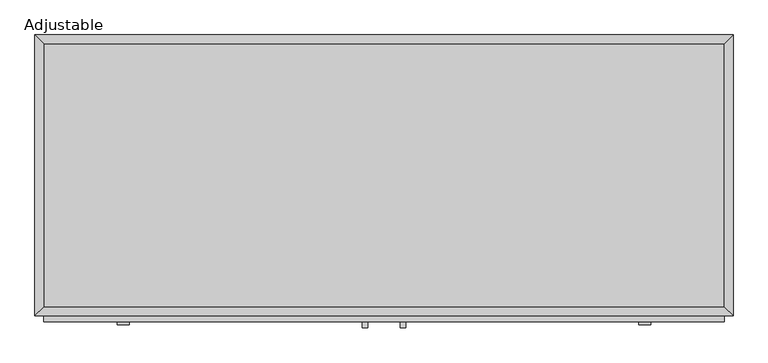
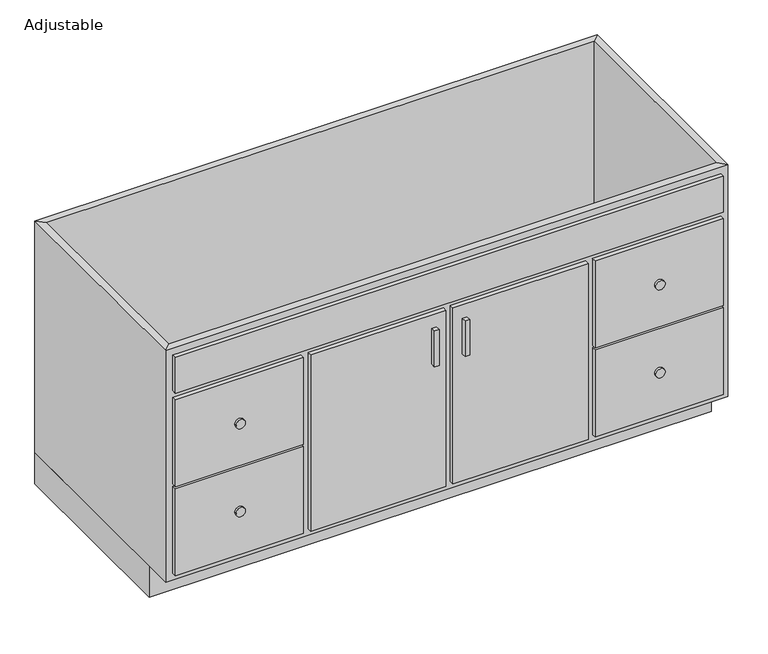
"""IFC4 building model written with IfcOpenShell, lengths in millimetres: furniture geometry, Adjustable."""

from ifc_helpers import new_model, si_unit, point, frame, frame_2d, origin, origin_with_axes, place, context, project, spatial, polyline, circle_curve, trimmed, segment, composite_curve, outline, extrude, faceted_brep, source, transform, mapped, element, save


def adjustable_4657e76a(model_context):
    return source(origin(), model_context, "Body", "SolidModel", [
        extrude(outline(polyline([(55.91996, -635.0), (43.21996, -635.0), (43.21996, -622.3), (55.91996, -622.3), (55.91996, -635.0)])), frame((0.0, 0.0, 469.9), z_axis=(0.0, 0.0, 1.0), x_axis=(1.0, 0.0, 0.0)), (0.0, 0.0, 1.0), 101.6),
        extrude(outline(polyline([(138.46996, -635.0), (125.76996, -635.0), (125.76996, -622.3), (138.46996, -622.3), (138.46996, -635.0)])), frame((0.0, 0.0, 469.9), z_axis=(0.0, 0.0, 1.0), x_axis=(1.0, 0.0, 0.0)), (0.0, 0.0, 1.0), 101.6),
        extrude(outline(composite_curve([segment(trimmed(circle_curve(frame_2d((484.1875, -474.6355362)), 12.7), [point((484.1875, -487.3355362))], [point((484.1875, -461.9355362))], False, "CARTESIAN"), True, "CONTINUOUS"), segment(trimmed(circle_curve(frame_2d((484.1875, -474.6355362)), 12.7), [point((484.1875, -461.9355362))], [point((484.1875, -487.3355362))], False, "CARTESIAN"), True, "CONTINUOUS")], self_intersect=False)), frame((0.0, -628.65, 0.0), z_axis=(0.0, 1.0, 0.0), x_axis=(0.0, 0.0, 1.0)), (0.0, 0.0, 1.0), 6.35),
        extrude(outline(composite_curve([segment(trimmed(circle_curve(frame_2d((233.3625, -474.6355362)), 12.7), [point((233.3625, -487.3355362))], [point((233.3625, -461.9355362))], False, "CARTESIAN"), True, "CONTINUOUS"), segment(trimmed(circle_curve(frame_2d((233.3625, -474.6355362)), 12.7), [point((233.3625, -461.9355362))], [point((233.3625, -487.3355362))], False, "CARTESIAN"), True, "CONTINUOUS")], self_intersect=False)), frame((0.0, -628.65, 0.0), z_axis=(0.0, 1.0, 0.0), x_axis=(0.0, 0.0, 1.0)), (0.0, 0.0, 1.0), 6.35),
        extrude(outline(composite_curve([segment(trimmed(circle_curve(frame_2d((233.3625, 656.3254562)), 12.7), [point((233.3625, 643.6254562))], [point((233.3625, 669.0254562))], False, "CARTESIAN"), True, "CONTINUOUS"), segment(trimmed(circle_curve(frame_2d((233.3625, 656.3254562)), 12.7), [point((233.3625, 669.0254562))], [point((233.3625, 643.6254562))], False, "CARTESIAN"), True, "CONTINUOUS")], self_intersect=False)), frame((0.0, -628.65, 0.0), z_axis=(0.0, 1.0, 0.0), x_axis=(0.0, 0.0, 1.0)), (0.0, 0.0, 1.0), 6.35),
        extrude(outline(composite_curve([segment(trimmed(circle_curve(frame_2d((484.1875, 656.3254562)), 12.7), [point((484.1875, 643.6254562))], [point((484.1875, 669.0254562))], False, "CARTESIAN"), True, "CONTINUOUS"), segment(trimmed(circle_curve(frame_2d((484.1875, 656.3254562)), 12.7), [point((484.1875, 669.0254562))], [point((484.1875, 643.6254562))], False, "CARTESIAN"), True, "CONTINUOUS")], self_intersect=False)), frame((0.0, -628.65, 0.0), z_axis=(0.0, 1.0, 0.0), x_axis=(0.0, 0.0, 1.0)), (0.0, 0.0, 1.0), 6.35),
        extrude(outline(polyline([(828.9439549, -19.05), (828.9439549, -590.55), (-647.2540349, -590.55), (-647.2540349, -19.05), (828.9439549, -19.05)])), frame((0.0, 0.0, 88.9), z_axis=(0.0, 0.0, 1.0), x_axis=(1.0, 0.0, 0.0)), (0.0, 0.0, 1.0), 19.05),
        faceted_brep([(828.9439549, -590.55, 749.3), (828.9439549, -590.55, 88.9), (-647.2540349, -590.55, 88.9), (-647.2540349, -590.55, 749.3), (847.9939549, -609.6, 749.3), (-666.3040349, -609.6, 749.3), (847.9939549, -609.6, 88.9), (-666.3040349, -609.6, 88.9), (-647.2540349, -19.05, 88.9), (-647.2540349, -19.05, 749.3), (-666.3040349, 0.0, 749.3), (-666.3040349, 0.0, 88.9), (828.9439549, -19.05, 88.9), (828.9439549, -19.05, 749.3), (847.9939549, 0.0, 749.3), (847.9939549, 0.0, 88.9)], [[[0, 1, 2, 3]], [[4, 0, 3, 5]], [[6, 4, 5, 7]], [[1, 6, 7, 2]], [[3, 2, 8, 9]], [[5, 3, 9, 10]], [[7, 5, 10, 11]], [[2, 7, 11, 8]], [[9, 8, 12, 13]], [[10, 9, 13, 14]], [[11, 10, 14, 15]], [[8, 11, 15, 12]], [[13, 12, 1, 0]], [[14, 13, 0, 4]], [[15, 14, 4, 6]], [[12, 15, 6, 1]]]),
        extrude(outline(polyline([(847.9939549, 0.0), (847.9939549, -533.4), (-666.3040349, -533.4), (-666.3040349, 0.0), (847.9939549, 0.0)])), origin_with_axes(), (0.0, 0.0, 1.0), 88.9),
        extrude(outline(polyline([(828.9439549, -622.3), (-647.2540349, -622.3), (-647.2540349, -609.6), (828.9439549, -609.6), (828.9439549, -622.3)])), frame((0.0, 0.0, 628.65), z_axis=(0.0, 0.0, 1.0), x_axis=(1.0, 0.0, 0.0)), (0.0, 0.0, 1.0), 101.6),
        extrude(outline(polyline([(828.9439549, -622.3), (483.7069574, -622.3), (483.7069574, -609.6), (828.9439549, -609.6), (828.9439549, -622.3)])), frame((0.0, 0.0, 361.95), z_axis=(0.0, 0.0, 1.0), x_axis=(1.0, 0.0, 0.0)), (0.0, 0.0, 1.0), 247.65),
        extrude(outline(polyline([(828.9439549, -622.3), (483.7069574, -622.3), (483.7069574, -609.6), (828.9439549, -609.6), (828.9439549, -622.3)])), frame((0.0, 0.0, 107.95), z_axis=(0.0, 0.0, 1.0), x_axis=(1.0, 0.0, 0.0)), (0.0, 0.0, 1.0), 247.65),
        extrude(outline(polyline([(-302.0170375, -622.3), (-647.2540349, -622.3), (-647.2540349, -609.6), (-302.0170375, -609.6), (-302.0170375, -622.3)])), frame((0.0, 0.0, 361.95), z_axis=(0.0, 0.0, 1.0), x_axis=(1.0, 0.0, 0.0)), (0.0, 0.0, 1.0), 247.65),
        extrude(outline(polyline([(-302.0170375, -622.3), (-647.2540349, -622.3), (-647.2540349, -609.6), (-302.0170375, -609.6), (-302.0170375, -622.3)])), frame((0.0, 0.0, 107.95), z_axis=(0.0, 0.0, 1.0), x_axis=(1.0, 0.0, 0.0)), (0.0, 0.0, 1.0), 247.65),
        extrude(outline(polyline([(81.31996, -622.3), (-282.9670375, -622.3), (-282.9670375, -609.6), (81.31996, -609.6), (81.31996, -622.3)])), frame((0.0, 0.0, 107.95), z_axis=(0.0, 0.0, 1.0), x_axis=(1.0, 0.0, 0.0)), (0.0, 0.0, 1.0), 501.65),
        extrude(outline(polyline([(464.6569574, -622.3), (100.36996, -622.3), (100.36996, -609.6), (464.6569574, -609.6), (464.6569574, -622.3)])), frame((0.0, 0.0, 107.95), z_axis=(0.0, 0.0, 1.0), x_axis=(1.0, 0.0, 0.0)), (0.0, 0.0, 1.0), 501.65),
    ])


if __name__ == "__main__":
    model = new_model("IFC4")
    model_context = context("Model", 3, world=origin())
    ifc_project = project(units=[si_unit("LENGTHUNIT", "METRE", prefix="MILLI")], contexts=[model_context])
    site = spatial("IfcSite", under=ifc_project)
    building = spatial("IfcBuilding", under=site)
    placement = place(None, origin())
    adjustable_shape = adjustable_4657e76a(model_context)
    element("IfcFurniture", 1, ObjectType="Adjustable", at=placement, inside=building, context=model_context, shape_type="MappedRepresentation", body=[
        mapped(adjustable_shape, transform((0.0, 0.0, 0.0), x_axis=(1.0, 0.0, 0.0), y_axis=(0.0, 1.0, 0.0), z_axis=(0.0, 0.0, 1.0))),
    ])
    save(model, "model.ifc")
